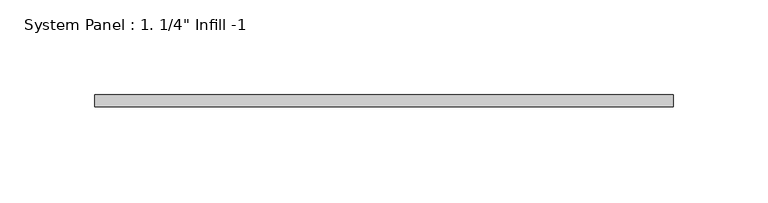
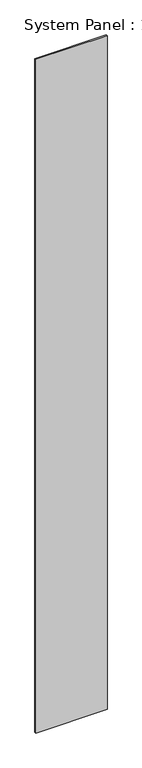
"""IFC4 building model written with IfcOpenShell, lengths in millimetres: plate geometry."""

from ifc_helpers import new_model, si_unit, origin, origin_with_axes, place, context, project, spatial, polyline, outline, extrude, source, transform, mapped, element, save


def plate_86bd2bf8(model_context):
    return source(origin(), model_context, "Body", "SweptSolid", [
        extrude(outline(polyline([(152.5176988, 19.05), (-152.5176988, 19.05), (-152.5176988, 25.4), (152.5176988, 25.4), (152.5176988, 19.05)])), origin_with_axes(), (0.0, 0.0, 1.0), 3048.0),
    ])


if __name__ == "__main__":
    model = new_model("IFC4")
    model_context = context("Model", 3, world=origin())
    ifc_project = project(units=[si_unit("LENGTHUNIT", "METRE", prefix="MILLI")], contexts=[model_context])
    site = spatial("IfcSite", under=ifc_project)
    building = spatial("IfcBuilding", under=site)
    placement = place(None, origin())
    plate_shape = plate_86bd2bf8(model_context)
    element("IfcPlate", 1, ObjectType="System Panel : 1. 1/4\" Infill -1", at=placement, inside=building, context=model_context, shape_type="MappedRepresentation", body=[
        mapped(plate_shape, transform((0.0, 0.0, 0.0), x_axis=(1.0, 0.0, 0.0), y_axis=(0.0, 1.0, 0.0), z_axis=(0.0, 0.0, 1.0))),
    ])
    save(model, "model.ifc")
